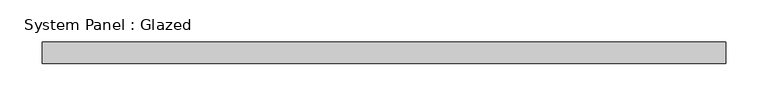
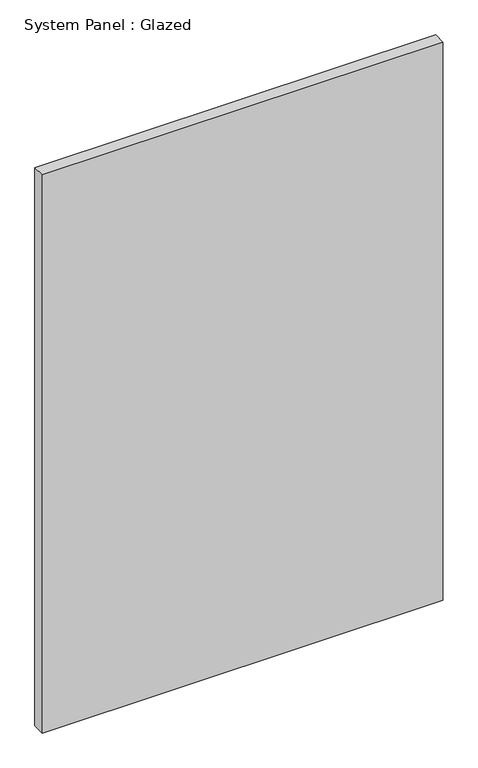
"""IFC4 building model written with IfcOpenShell, lengths in millimetres: plate geometry, System Panel : Glazed."""

from ifc_helpers import new_model, si_unit, origin, origin_with_axes, place, context, project, spatial, polyline, outline, extrude, source, transform, mapped, element, save


def system_panel_glazed_e13f5700(model_context):
    return source(origin(), model_context, "Body", "SweptSolid", [
        extrude(outline(polyline([(403.225, -12.7), (-403.225, -12.7), (-403.225, 12.7), (403.225, 12.7), (403.225, -12.7)])), origin_with_axes(), (0.0, 0.0, 1.0), 1187.45),
    ])


if __name__ == "__main__":
    model = new_model("IFC4")
    model_context = context("Model", 3, world=origin())
    ifc_project = project(units=[si_unit("LENGTHUNIT", "METRE", prefix="MILLI")], contexts=[model_context])
    site = spatial("IfcSite", under=ifc_project)
    building = spatial("IfcBuilding", under=site)
    placement = place(None, origin())
    system_panel_glazed_shape = system_panel_glazed_e13f5700(model_context)
    element("IfcPlate", 1, ObjectType="System Panel : Glazed", at=placement, inside=building, context=model_context, shape_type="MappedRepresentation", body=[
        mapped(system_panel_glazed_shape, transform((0.0, 0.0, 0.0), x_axis=(1.0, 0.0, 0.0), y_axis=(0.0, 1.0, 0.0), z_axis=(0.0, 0.0, 1.0))),
    ])
    save(model, "model.ifc")
